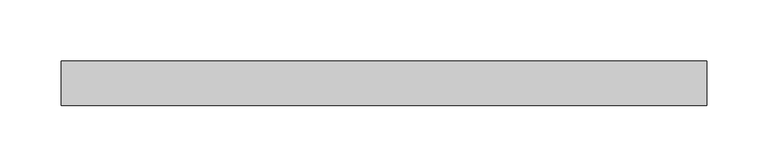
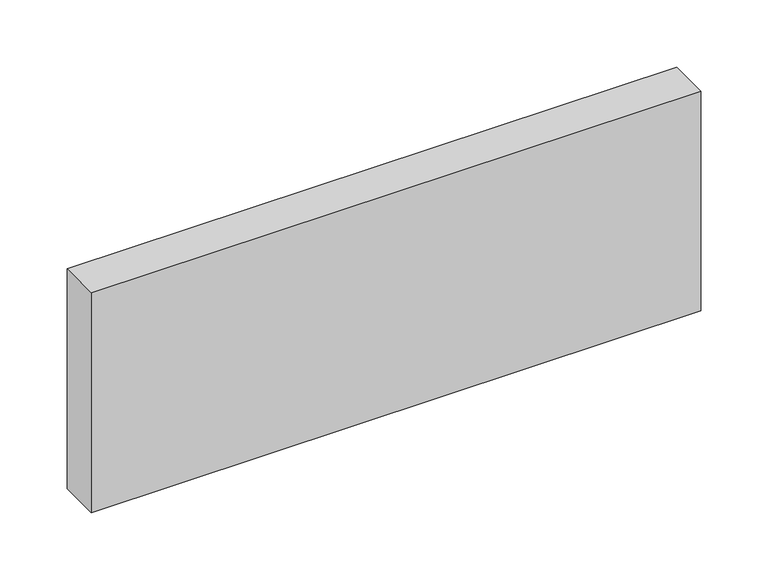
"""IFC4 building model written with IfcOpenShell, lengths in millimetres: beam geometry."""

from ifc_helpers import new_model, si_unit, frame, origin, place, context, project, spatial, polyline, outline, extrude, source, transform, mapped, element, save


def beam_19f4f23f(model_context):
    return source(origin(), model_context, "Body", "SweptSolid", [
        extrude(outline(polyline([(262.4, -18.0), (-262.4, -18.0), (-262.4, 18.0), (262.4, 18.0), (262.4, -18.0)])), frame((0.0, 0.0, -100.0), z_axis=(0.0, 0.0, 1.0), x_axis=(1.0, 0.0, 0.0)), (0.0, 0.0, 1.0), 200.0),
    ])


if __name__ == "__main__":
    model = new_model("IFC4")
    model_context = context("Model", 3, world=origin())
    ifc_project = project(units=[si_unit("LENGTHUNIT", "METRE", prefix="MILLI")], contexts=[model_context])
    site = spatial("IfcSite", under=ifc_project)
    building = spatial("IfcBuilding", under=site)
    placement = place(None, origin())
    beam_shape = beam_19f4f23f(model_context)
    element("IfcBeam", 1, at=placement, inside=building, context=model_context, shape_type="MappedRepresentation", body=[
        mapped(beam_shape, transform((0.0, 0.0, 0.0), x_axis=(1.0, 0.0, 0.0), y_axis=(0.0, 1.0, 0.0), z_axis=(0.0, 0.0, 1.0))),
    ])
    save(model, "model.ifc")
